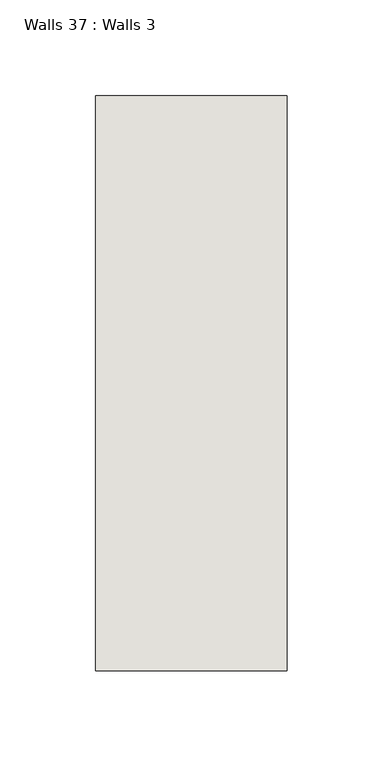
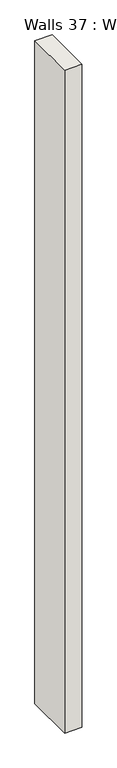
"""IFC4 building model written with IfcOpenShell, lengths in millimetres: wall geometry, Walls 37 : Walls 3."""

from ifc_helpers import new_model, si_unit, origin, origin_with_axes, place, context, project, spatial, polyline, outline, extrude, source, transform, mapped, element, save


def walls_37_walls_3_48a43fbf(model_context):
    return source(origin(), model_context, "Body", "SweptSolid", [
        extrude(outline(polyline([(-1812.3812655, 1518.41264), (-1812.3812655, 1818.41264), (-1712.3812655, 1818.41264), (-1712.3812655, 1518.41264), (-1812.3812655, 1518.41264)])), origin_with_axes(), (0.0, 0.0, 1.0), 4085.1192828),
    ])


if __name__ == "__main__":
    model = new_model("IFC4")
    model_context = context("Model", 3, world=origin())
    ifc_project = project(units=[si_unit("LENGTHUNIT", "METRE", prefix="MILLI")], contexts=[model_context])
    site = spatial("IfcSite", under=ifc_project)
    building = spatial("IfcBuilding", under=site)
    placement = place(None, origin())
    walls_37_walls_3_shape = walls_37_walls_3_48a43fbf(model_context)
    element("IfcWall", 1, ObjectType="Walls 37 : Walls 3", at=placement, inside=building, context=model_context, shape_type="MappedRepresentation", body=[
        mapped(walls_37_walls_3_shape, transform((0.0, 0.0, 0.0), x_axis=(1.0, 0.0, 0.0), y_axis=(0.0, 1.0, 0.0), z_axis=(0.0, 0.0, 1.0))),
    ])
    save(model, "model.ifc")
